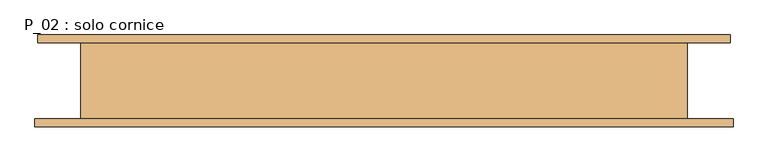
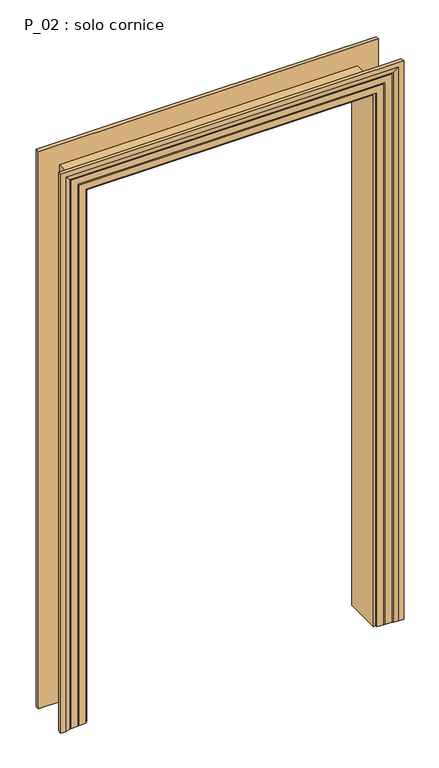
"""IFC4 building model written with IfcOpenShell, lengths in millimetres: door geometry, P_02 : solo cornice."""

import ifcopenshell
import ifcopenshell.guid

model = None  # the IFC model being written
_history = None  # IfcOwnerHistory: only IFC2X3 demands one
_inside = {}  # id of a spatial element -> (the spatial element, [elements in it])
_under = {}  # id of a project, library or spatial element -> (it, [spatial elements below it])
_declared = {}  # id of a project -> (the project, [libraries it declares])
_typed = {}  # id of a type object -> (the type object, [elements of that type])
_made_of = {}  # id of a material, layer set ... -> (it, [elements and type objects made of it])


def new_model(schema):
    """Start an empty IFC model of exactly this schema.

    Asked for "IFC4X3", IfcOpenShell would pick the latest addendum, in which some entities
    have other attributes; the version numbers below select the first issue.
    IFC2X3 requires an IfcOwnerHistory on every rooted entity: one is made here for all.
    """
    global model, _history
    if schema == "IFC4X3":
        model = ifcopenshell.file(schema_version=(4, 3, 0, 0))
    else:
        model = ifcopenshell.file(schema=schema)
    _inside.clear()
    _under.clear()
    _declared.clear()
    _typed.clear()
    _made_of.clear()
    _history = None
    if model.schema == "IFC2X3":
        org = make("IfcOrganization", Name="unknown")
        user = make(
            "IfcPersonAndOrganization",
            ThePerson=make("IfcPerson", FamilyName="unknown"),
            TheOrganization=org,
        )
        app = make(
            "IfcApplication",
            ApplicationDeveloper=org,
            Version="unknown",
            ApplicationFullName="unknown",
            ApplicationIdentifier="unknown",
        )
        _history = make(
            "IfcOwnerHistory",
            OwningUser=user,
            OwningApplication=app,
            ChangeAction="ADDED",
            CreationDate=0,
        )
    return model


def make(cls, **values):
    """One entity of the class cls with the attributes given. An attribute that is None is left unset."""
    return model.create_entity(
        cls, **{name: value for name, value in values.items() if value is not None}
    )


def rooted(cls, **values):
    """An entity with a GlobalId (a new one), such as an element, a storey or a relation."""
    return make(cls, GlobalId=ifcopenshell.guid.new(), OwnerHistory=_history, **values)


def si_unit(unit_type, name, prefix=None):
    """IfcSIUnit, for example si_unit("LENGTHUNIT", "METRE", prefix="MILLI")."""
    return make("IfcSIUnit", UnitType=unit_type, Prefix=prefix, Name=name)


def assignment(units):
    """IfcUnitAssignment: the units of a project."""
    return None if units is None else make("IfcUnitAssignment", Units=units)


def point(xyz):
    """IfcCartesianPoint."""
    return None if xyz is None else make("IfcCartesianPoint", Coordinates=xyz)


def direction(xyz):
    """IfcDirection."""
    return None if xyz is None else make("IfcDirection", DirectionRatios=xyz)


def frame(location, z_axis=None, x_axis=None):
    """IfcAxis2Placement3D, a coordinate frame: its origin and axes. An axis left out is left unset."""
    return make(
        "IfcAxis2Placement3D",
        Location=point(location),
        Axis=direction(z_axis),
        RefDirection=direction(x_axis),
    )


def origin():
    """The frame at (0, 0, 0) with its axes left unset."""
    return frame((0.0, 0.0, 0.0))


def place(relative_to, where):
    """IfcLocalPlacement: puts the frame where relative to a parent placement (None: the world)."""
    return make(
        "IfcLocalPlacement", PlacementRelTo=relative_to, RelativePlacement=where
    )


def context(
    kind, dimensions, precision=None, world=None, true_north=None, identifier=None
):
    """IfcGeometricRepresentationContext, for example the 3D "Model" context."""
    return make(
        "IfcGeometricRepresentationContext",
        ContextIdentifier=identifier,
        ContextType=kind,
        CoordinateSpaceDimension=dimensions,
        Precision=precision,
        WorldCoordinateSystem=world,
        TrueNorth=true_north,
    )


def project(units=None, contexts=None):
    """IfcProject with its units and contexts."""
    return rooted(
        "IfcProject",
        Name="project",
        RepresentationContexts=contexts,
        UnitsInContext=assignment(units),
    )


def spatial(cls, under=None, at=None, **own):
    """A site, building, storey or space (cls), placed at a placement, below another one or the project."""
    s = rooted(cls, ObjectPlacement=at, **own)
    if under is not None:
        _under.setdefault(under.id(), (under, []))[1].append(s)
    return s


def faces_of(points, faces, orient=None, outer=None):
    """IfcFace entities. A face is a list of loops; a loop is a list of indices into points, from 0.

    orient and outer hold one flag for each loop. By default every Orientation is true, the
    first loop of a face is its IfcFaceOuterBound and the others are IfcFaceBound.
    """
    made = []
    for i, loops in enumerate(faces):
        bounds = []
        for j, loop in enumerate(loops):
            is_outer = j == 0 if outer is None else outer[i][j]
            bounds.append(
                make(
                    "IfcFaceOuterBound" if is_outer else "IfcFaceBound",
                    Bound=make("IfcPolyLoop", Polygon=[points[k] for k in loop]),
                    Orientation=True if orient is None else orient[i][j],
                )
            )
        made.append(make("IfcFace", Bounds=bounds))
    return made


def faceted_brep(points, faces, orient=None, outer=None, voids=None):
    """IfcFacetedBrep: a solid bounded by flat faces; with voids (closed shells), ...WithVoids."""
    shared = [point(p) for p in points]
    hull = make("IfcClosedShell", CfsFaces=faces_of(shared, faces, orient, outer))
    if voids is None:
        return make("IfcFacetedBrep", Outer=hull)
    return make(
        "IfcFacetedBrepWithVoids",
        Outer=hull,
        Voids=[
            make(cls, CfsFaces=faces_of(shared, fs, o, b)) for cls, fs, o, b in voids
        ],
    )


def shape(context_of_items, identifier, shape_type, items):
    """IfcShapeRepresentation: the items that make up one representation, for example the "Body"."""
    return make(
        "IfcShapeRepresentation",
        ContextOfItems=context_of_items,
        RepresentationIdentifier=identifier,
        RepresentationType=shape_type,
        Items=items,
    )


def source(mapping_origin, context_of_items, identifier, shape_type, items):
    """IfcRepresentationMap: a shape defined once, which mapped items show again and again."""
    return make(
        "IfcRepresentationMap",
        MappingOrigin=mapping_origin,
        MappedRepresentation=shape(context_of_items, identifier, shape_type, items),
    )


def transform(
    local_origin,
    x_axis=None,
    y_axis=None,
    z_axis=None,
    scale=None,
    scale2=None,
    scale3=None,
    uniform=True,
):
    """IfcCartesianTransformationOperator3D, or its non-uniform kind. x_axis, y_axis, z_axis: its Axis1, 2, 3."""
    if uniform:
        return make(
            "IfcCartesianTransformationOperator3D",
            Axis1=direction(x_axis),
            Axis2=direction(y_axis),
            LocalOrigin=point(local_origin),
            Scale=scale,
            Axis3=direction(z_axis),
        )
    return make(
        "IfcCartesianTransformationOperator3DnonUniform",
        Axis1=direction(x_axis),
        Axis2=direction(y_axis),
        LocalOrigin=point(local_origin),
        Scale=scale,
        Axis3=direction(z_axis),
        Scale2=scale2,
        Scale3=scale3,
    )


def mapped(mapping_source, mapping_target):
    """IfcMappedItem: shows the shape of a source again, moved by a transform."""
    return make(
        "IfcMappedItem", MappingSource=mapping_source, MappingTarget=mapping_target
    )


def made_of(thing, what):
    """Note that an element or type object is made of a material, layer set ...; save() writes the relation."""
    if what is not None:
        _made_of.setdefault(what.id(), (what, []))[1].append(thing)
    return thing


def element(
    cls,
    number,
    at=None,
    inside=None,
    cuts=None,
    type_object=None,
    material=None,
    context=None,
    identifier="Body",
    shape_type=None,
    held_by="IfcProductDefinitionShape",
    body=None,
    shapes=None,
    **own,
):
    """One element of the class cls, such as IfcWall. Its Tag is "e" and its number.

    at: its placement. inside: the storey or other place that contains it. cuts: it is an
    opening in that element (IfcRelVoidsElement). A single representation is given by context,
    identifier, shape_type and body (its items); several are given by shapes. held_by: the class
    of the entity that holds the representations. save() writes the other relations.
    """
    e = rooted(cls, Tag="e%d" % number, ObjectPlacement=at, **own)
    if body is not None:
        shapes = [shape(context, identifier, shape_type, body)]
    if shapes is not None:
        e.Representation = make(held_by, Representations=shapes)
    if inside is not None:
        _inside.setdefault(inside.id(), (inside, []))[1].append(e)
    if cuts is not None:
        rooted(
            "IfcRelVoidsElement", RelatingBuildingElement=cuts, RelatedOpeningElement=e
        )
    if type_object is not None:
        _typed.setdefault(type_object.id(), (type_object, []))[1].append(e)
    return made_of(e, material)


def aggregate(whole, parts):
    """IfcRelAggregates: a whole, such as a stair, and the parts it consists of."""
    return rooted("IfcRelAggregates", RelatingObject=whole, RelatedObjects=parts)


def save(model, path):
    """Write the relations noted so far, then the file.

    IfcRelAggregates (storeys below a building ...), IfcRelContainedInSpatialStructure (elements
    in a storey), IfcRelDefinesByType, IfcRelAssociatesMaterial and IfcRelDeclares: one each for
    every whole, place, type object, material and project.
    """
    for whole, parts in _under.values():
        aggregate(whole, parts)
    for where, things in _inside.values():
        rooted(
            "IfcRelContainedInSpatialStructure",
            RelatedElements=things,
            RelatingStructure=where,
        )
    for kind, things in _typed.values():
        rooted("IfcRelDefinesByType", RelatedObjects=things, RelatingType=kind)
    for what, things in _made_of.values():
        rooted("IfcRelAssociatesMaterial", RelatedObjects=things, RelatingMaterial=what)
    for by, libraries in _declared.values():
        rooted("IfcRelDeclares", RelatingContext=by, RelatedDefinitions=libraries)
    model.write(path)


def p_02_solo_cornice_d253d5ff(model_context):
    return source(origin(), model_context, "Body", "Brep", [
        faceted_brep([(725.0, 80.0, 0.0), (635.0, 80.0, 0.0), (635.0, -80.0, 0.0), (731.0, -80.0, 0.0), (731.0, -96.0, 0.0), (711.0, -96.0, 0.0), (691.0, -92.0291126, 0.0), (691.0, -91.0291126, 0.0), (686.0, -91.0291126, 0.0), (686.0, -90.0291126, 0.0), (656.0, -90.0291126, 0.0), (656.0, -89.0291126, 0.0), (651.0, -89.0291126, 0.0), (651.0, -88.0291126, 0.0), (621.0, -88.0291126, 0.0), (621.0, -80.0, 0.0), (611.0, -80.0, 0.0), (611.0, 80.0, 0.0), (621.0, 80.0, 0.0), (621.0, 88.0291126, 0.0), (651.0, 88.0291126, 0.0), (651.0, 89.0291126, 0.0), (656.0, 89.0291126, 0.0), (656.0, 90.0291126, 0.0), (680.0, 90.0291126, 0.0), (680.0, 91.0291126, 0.0), (685.0, 91.0291126, 0.0), (685.0, 92.0291126, 0.0), (705.0, 96.0, 0.0), (725.0, 96.0, 0.0), (725.0, 80.0, 2510.0), (-725.0, 80.0, 2510.0), (-725.0, 80.0, 0.0), (-635.0, 80.0, 0.0), (-635.0, 80.0, 2420.0), (635.0, 80.0, 2420.0), (635.0, -80.0, 2420.0), (-635.0, -80.0, 2420.0), (-635.0, -80.0, 0.0), (-731.0, -80.0, 0.0), (-731.0, -80.0, 2516.0), (731.0, -80.0, 2516.0), (731.0, -96.0, 2516.0), (-731.0, -96.0, 2516.0), (-731.0, -96.0, 0.0), (-711.0, -96.0, 0.0), (-711.0, -96.0, 2496.0), (711.0, -96.0, 2496.0), (691.0, -92.0291126, 2476.0), (691.0, -91.0291126, 2476.0), (-691.0, -91.0291126, 2476.0), (-691.0, -91.0291126, 0.0), (-686.0, -91.0291126, 0.0), (-686.0, -91.0291126, 2471.0), (686.0, -91.0291126, 2471.0), (686.0, -90.0291126, 2471.0), (-686.0, -90.0291126, 2471.0), (-686.0, -90.0291126, 0.0), (-656.0, -90.0291126, 0.0), (-656.0, -90.0291126, 2441.0), (656.0, -90.0291126, 2441.0), (656.0, -89.0291126, 2441.0), (-656.0, -89.0291126, 2441.0), (-656.0, -89.0291126, 0.0), (-651.0, -89.0291126, 0.0), (-651.0, -89.0291126, 2436.0), (651.0, -89.0291126, 2436.0), (651.0, -88.0291126, 2436.0), (-651.0, -88.0291126, 2436.0), (-651.0, -88.0291126, 0.0), (-621.0, -88.0291126, 0.0), (-621.0, -88.0291126, 2406.0), (621.0, -88.0291126, 2406.0), (621.0, -80.0, 2406.0), (-621.0, -80.0, 2406.0), (-621.0, -80.0, 0.0), (-611.0, -80.0, 0.0), (-611.0, -80.0, 2396.0), (611.0, -80.0, 2396.0), (611.0, 80.0, 2396.0), (-611.0, 80.0, 2396.0), (-611.0, 80.0, 0.0), (-621.0, 80.0, 0.0), (-621.0, 80.0, 2406.0), (621.0, 80.0, 2406.0), (621.0, 88.0291126, 2406.0), (-621.0, 88.0291126, 2406.0), (-621.0, 88.0291126, 0.0), (-651.0, 88.0291126, 0.0), (-651.0, 88.0291126, 2436.0), (651.0, 88.0291126, 2436.0), (651.0, 89.0291126, 2436.0), (-651.0, 89.0291126, 2436.0), (-651.0, 89.0291126, 0.0), (-656.0, 89.0291126, 0.0), (-656.0, 89.0291126, 2441.0), (656.0, 89.0291126, 2441.0), (656.0, 90.0291126, 2441.0), (-656.0, 90.0291126, 2441.0), (-656.0, 90.0291126, 0.0), (-680.0, 90.0291126, 0.0), (-680.0, 90.0291126, 2465.0), (680.0, 90.0291126, 2465.0), (680.0, 91.0291126, 2465.0), (-680.0, 91.0291126, 2465.0), (-680.0, 91.0291126, 0.0), (-685.0, 91.0291126, 0.0), (-685.0, 91.0291126, 2470.0), (685.0, 91.0291126, 2470.0), (685.0, 92.0291126, 2470.0), (705.0, 96.0, 2490.0), (-705.0, 96.0, 2490.0), (-705.0, 96.0, 0.0), (-725.0, 96.0, 0.0), (-725.0, 96.0, 2510.0), (725.0, 96.0, 2510.0), (-685.0, 92.0291126, 0.0), (-691.0, -92.0291126, 0.0), (-685.0, 92.0291126, 2470.0), (-691.0, -92.0291126, 2476.0)], [[[0, 1, 2, 3, 4, 5, 6, 7, 8, 9, 10, 11, 12, 13, 14, 15, 16, 17, 18, 19, 20, 21, 22, 23, 24, 25, 26, 27, 28, 29]], [[1, 0, 30, 31, 32, 33, 34, 35]], [[2, 1, 35, 36]], [[3, 2, 36, 37, 38, 39, 40, 41]], [[4, 3, 41, 42]], [[5, 4, 42, 43, 44, 45, 46, 47]], [[6, 5, 47, 48]], [[7, 6, 48, 49]], [[8, 7, 49, 50, 51, 52, 53, 54]], [[9, 8, 54, 55]], [[10, 9, 55, 56, 57, 58, 59, 60]], [[11, 10, 60, 61]], [[12, 11, 61, 62, 63, 64, 65, 66]], [[13, 12, 66, 67]], [[14, 13, 67, 68, 69, 70, 71, 72]], [[15, 14, 72, 73]], [[16, 15, 73, 74, 75, 76, 77, 78]], [[17, 16, 78, 79]], [[18, 17, 79, 80, 81, 82, 83, 84]], [[19, 18, 84, 85]], [[20, 19, 85, 86, 87, 88, 89, 90]], [[21, 20, 90, 91]], [[22, 21, 91, 92, 93, 94, 95, 96]], [[23, 22, 96, 97]], [[24, 23, 97, 98, 99, 100, 101, 102]], [[25, 24, 102, 103]], [[26, 25, 103, 104, 105, 106, 107, 108]], [[27, 26, 108, 109]], [[28, 27, 109, 110]], [[29, 28, 110, 111, 112, 113, 114, 115]], [[0, 29, 115, 30]], [[31, 114, 113, 32]], [[32, 113, 112, 116, 106, 105, 100, 99, 94, 93, 88, 87, 82, 81, 76, 75, 70, 69, 64, 63, 58, 57, 52, 51, 117, 45, 44, 39, 38, 33]], [[37, 34, 33, 38]], [[74, 71, 70, 75]], [[80, 77, 76, 81]], [[86, 83, 82, 87]], [[111, 118, 116, 112]], [[118, 107, 106, 116]], [[104, 101, 100, 105]], [[98, 95, 94, 99]], [[92, 89, 88, 93]], [[68, 65, 64, 69]], [[62, 59, 58, 63]], [[56, 53, 52, 57]], [[50, 119, 117, 51]], [[119, 46, 45, 117]], [[43, 40, 39, 44]], [[30, 115, 114, 31]], [[36, 35, 34, 37]], [[73, 72, 71, 74]], [[79, 78, 77, 80]], [[85, 84, 83, 86]], [[91, 90, 89, 92]], [[97, 96, 95, 98]], [[103, 102, 101, 104]], [[109, 108, 107, 118]], [[110, 109, 118, 111]], [[42, 41, 40, 43]], [[48, 47, 46, 119]], [[49, 48, 119, 50]], [[55, 54, 53, 56]], [[61, 60, 59, 62]], [[67, 66, 65, 68]]]),
    ])


if __name__ == "__main__":
    model = new_model("IFC4")
    model_context = context("Model", 3, world=origin())
    ifc_project = project(units=[si_unit("LENGTHUNIT", "METRE", prefix="MILLI")], contexts=[model_context])
    site = spatial("IfcSite", under=ifc_project)
    building = spatial("IfcBuilding", under=site)
    placement = place(None, origin())
    p_02_solo_cornice_shape = p_02_solo_cornice_d253d5ff(model_context)
    element("IfcDoor", 1, ObjectType="P_02 : solo cornice", at=placement, inside=building, context=model_context, shape_type="MappedRepresentation", body=[
        mapped(p_02_solo_cornice_shape, transform((0.0, 0.0, 0.0), x_axis=(1.0, 0.0, 0.0), y_axis=(0.0, 1.0, 0.0), z_axis=(0.0, 0.0, 1.0))),
    ])
    save(model, "model.ifc")
